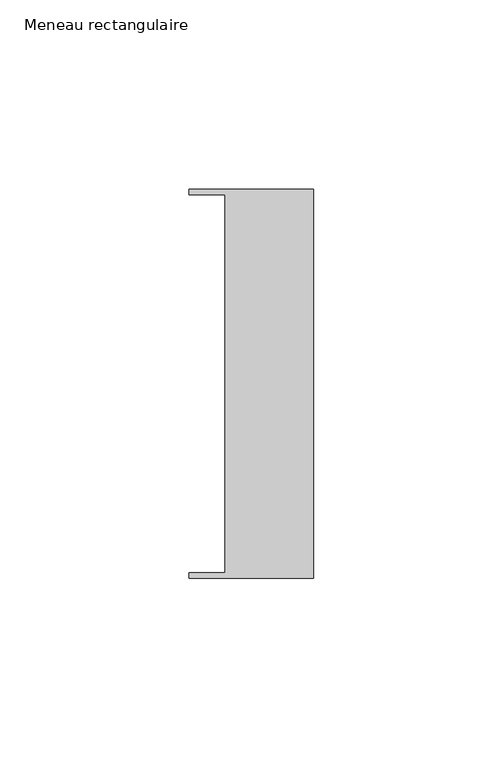
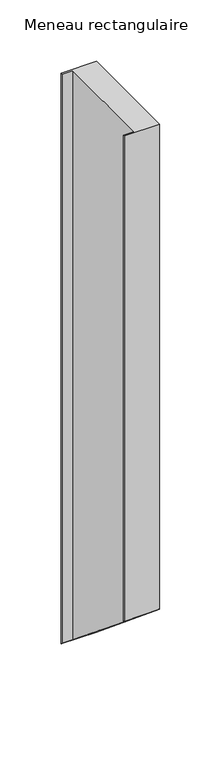
"""IFC4 building model written with IfcOpenShell, lengths in millimetres: member geometry, Meneau rectangulaire."""

import ifcopenshell
import ifcopenshell.guid

model = None  # the IFC model being written
_history = None  # IfcOwnerHistory: only IFC2X3 demands one
_inside = {}  # id of a spatial element -> (the spatial element, [elements in it])
_under = {}  # id of a project, library or spatial element -> (it, [spatial elements below it])
_declared = {}  # id of a project -> (the project, [libraries it declares])
_typed = {}  # id of a type object -> (the type object, [elements of that type])
_made_of = {}  # id of a material, layer set ... -> (it, [elements and type objects made of it])


def new_model(schema):
    """Start an empty IFC model of exactly this schema.

    Asked for "IFC4X3", IfcOpenShell would pick the latest addendum, in which some entities
    have other attributes; the version numbers below select the first issue.
    IFC2X3 requires an IfcOwnerHistory on every rooted entity: one is made here for all.
    """
    global model, _history
    if schema == "IFC4X3":
        model = ifcopenshell.file(schema_version=(4, 3, 0, 0))
    else:
        model = ifcopenshell.file(schema=schema)
    _inside.clear()
    _under.clear()
    _declared.clear()
    _typed.clear()
    _made_of.clear()
    _history = None
    if model.schema == "IFC2X3":
        org = make("IfcOrganization", Name="unknown")
        user = make(
            "IfcPersonAndOrganization",
            ThePerson=make("IfcPerson", FamilyName="unknown"),
            TheOrganization=org,
        )
        app = make(
            "IfcApplication",
            ApplicationDeveloper=org,
            Version="unknown",
            ApplicationFullName="unknown",
            ApplicationIdentifier="unknown",
        )
        _history = make(
            "IfcOwnerHistory",
            OwningUser=user,
            OwningApplication=app,
            ChangeAction="ADDED",
            CreationDate=0,
        )
    return model


def make(cls, **values):
    """One entity of the class cls with the attributes given. An attribute that is None is left unset."""
    return model.create_entity(
        cls, **{name: value for name, value in values.items() if value is not None}
    )


def rooted(cls, **values):
    """An entity with a GlobalId (a new one), such as an element, a storey or a relation."""
    return make(cls, GlobalId=ifcopenshell.guid.new(), OwnerHistory=_history, **values)


def si_unit(unit_type, name, prefix=None):
    """IfcSIUnit, for example si_unit("LENGTHUNIT", "METRE", prefix="MILLI")."""
    return make("IfcSIUnit", UnitType=unit_type, Prefix=prefix, Name=name)


def assignment(units):
    """IfcUnitAssignment: the units of a project."""
    return None if units is None else make("IfcUnitAssignment", Units=units)


def point(xyz):
    """IfcCartesianPoint."""
    return None if xyz is None else make("IfcCartesianPoint", Coordinates=xyz)


def direction(xyz):
    """IfcDirection."""
    return None if xyz is None else make("IfcDirection", DirectionRatios=xyz)


def frame(location, z_axis=None, x_axis=None):
    """IfcAxis2Placement3D, a coordinate frame: its origin and axes. An axis left out is left unset."""
    return make(
        "IfcAxis2Placement3D",
        Location=point(location),
        Axis=direction(z_axis),
        RefDirection=direction(x_axis),
    )


def origin():
    """The frame at (0, 0, 0) with its axes left unset."""
    return frame((0.0, 0.0, 0.0))


def place(relative_to, where):
    """IfcLocalPlacement: puts the frame where relative to a parent placement (None: the world)."""
    return make(
        "IfcLocalPlacement", PlacementRelTo=relative_to, RelativePlacement=where
    )


def context(
    kind, dimensions, precision=None, world=None, true_north=None, identifier=None
):
    """IfcGeometricRepresentationContext, for example the 3D "Model" context."""
    return make(
        "IfcGeometricRepresentationContext",
        ContextIdentifier=identifier,
        ContextType=kind,
        CoordinateSpaceDimension=dimensions,
        Precision=precision,
        WorldCoordinateSystem=world,
        TrueNorth=true_north,
    )


def project(units=None, contexts=None):
    """IfcProject with its units and contexts."""
    return rooted(
        "IfcProject",
        Name="project",
        RepresentationContexts=contexts,
        UnitsInContext=assignment(units),
    )


def spatial(cls, under=None, at=None, **own):
    """A site, building, storey or space (cls), placed at a placement, below another one or the project."""
    s = rooted(cls, ObjectPlacement=at, **own)
    if under is not None:
        _under.setdefault(under.id(), (under, []))[1].append(s)
    return s


def faces_of(points, faces, orient=None, outer=None):
    """IfcFace entities. A face is a list of loops; a loop is a list of indices into points, from 0.

    orient and outer hold one flag for each loop. By default every Orientation is true, the
    first loop of a face is its IfcFaceOuterBound and the others are IfcFaceBound.
    """
    made = []
    for i, loops in enumerate(faces):
        bounds = []
        for j, loop in enumerate(loops):
            is_outer = j == 0 if outer is None else outer[i][j]
            bounds.append(
                make(
                    "IfcFaceOuterBound" if is_outer else "IfcFaceBound",
                    Bound=make("IfcPolyLoop", Polygon=[points[k] for k in loop]),
                    Orientation=True if orient is None else orient[i][j],
                )
            )
        made.append(make("IfcFace", Bounds=bounds))
    return made


def faceted_brep(points, faces, orient=None, outer=None, voids=None):
    """IfcFacetedBrep: a solid bounded by flat faces; with voids (closed shells), ...WithVoids."""
    shared = [point(p) for p in points]
    hull = make("IfcClosedShell", CfsFaces=faces_of(shared, faces, orient, outer))
    if voids is None:
        return make("IfcFacetedBrep", Outer=hull)
    return make(
        "IfcFacetedBrepWithVoids",
        Outer=hull,
        Voids=[
            make(cls, CfsFaces=faces_of(shared, fs, o, b)) for cls, fs, o, b in voids
        ],
    )


def shape(context_of_items, identifier, shape_type, items):
    """IfcShapeRepresentation: the items that make up one representation, for example the "Body"."""
    return make(
        "IfcShapeRepresentation",
        ContextOfItems=context_of_items,
        RepresentationIdentifier=identifier,
        RepresentationType=shape_type,
        Items=items,
    )


def source(mapping_origin, context_of_items, identifier, shape_type, items):
    """IfcRepresentationMap: a shape defined once, which mapped items show again and again."""
    return make(
        "IfcRepresentationMap",
        MappingOrigin=mapping_origin,
        MappedRepresentation=shape(context_of_items, identifier, shape_type, items),
    )


def transform(
    local_origin,
    x_axis=None,
    y_axis=None,
    z_axis=None,
    scale=None,
    scale2=None,
    scale3=None,
    uniform=True,
):
    """IfcCartesianTransformationOperator3D, or its non-uniform kind. x_axis, y_axis, z_axis: its Axis1, 2, 3."""
    if uniform:
        return make(
            "IfcCartesianTransformationOperator3D",
            Axis1=direction(x_axis),
            Axis2=direction(y_axis),
            LocalOrigin=point(local_origin),
            Scale=scale,
            Axis3=direction(z_axis),
        )
    return make(
        "IfcCartesianTransformationOperator3DnonUniform",
        Axis1=direction(x_axis),
        Axis2=direction(y_axis),
        LocalOrigin=point(local_origin),
        Scale=scale,
        Axis3=direction(z_axis),
        Scale2=scale2,
        Scale3=scale3,
    )


def mapped(mapping_source, mapping_target):
    """IfcMappedItem: shows the shape of a source again, moved by a transform."""
    return make(
        "IfcMappedItem", MappingSource=mapping_source, MappingTarget=mapping_target
    )


def made_of(thing, what):
    """Note that an element or type object is made of a material, layer set ...; save() writes the relation."""
    if what is not None:
        _made_of.setdefault(what.id(), (what, []))[1].append(thing)
    return thing


def element(
    cls,
    number,
    at=None,
    inside=None,
    cuts=None,
    type_object=None,
    material=None,
    context=None,
    identifier="Body",
    shape_type=None,
    held_by="IfcProductDefinitionShape",
    body=None,
    shapes=None,
    **own,
):
    """One element of the class cls, such as IfcWall. Its Tag is "e" and its number.

    at: its placement. inside: the storey or other place that contains it. cuts: it is an
    opening in that element (IfcRelVoidsElement). A single representation is given by context,
    identifier, shape_type and body (its items); several are given by shapes. held_by: the class
    of the entity that holds the representations. save() writes the other relations.
    """
    e = rooted(cls, Tag="e%d" % number, ObjectPlacement=at, **own)
    if body is not None:
        shapes = [shape(context, identifier, shape_type, body)]
    if shapes is not None:
        e.Representation = make(held_by, Representations=shapes)
    if inside is not None:
        _inside.setdefault(inside.id(), (inside, []))[1].append(e)
    if cuts is not None:
        rooted(
            "IfcRelVoidsElement", RelatingBuildingElement=cuts, RelatedOpeningElement=e
        )
    if type_object is not None:
        _typed.setdefault(type_object.id(), (type_object, []))[1].append(e)
    return made_of(e, material)


def aggregate(whole, parts):
    """IfcRelAggregates: a whole, such as a stair, and the parts it consists of."""
    return rooted("IfcRelAggregates", RelatingObject=whole, RelatedObjects=parts)


def save(model, path):
    """Write the relations noted so far, then the file.

    IfcRelAggregates (storeys below a building ...), IfcRelContainedInSpatialStructure (elements
    in a storey), IfcRelDefinesByType, IfcRelAssociatesMaterial and IfcRelDeclares: one each for
    every whole, place, type object, material and project.
    """
    for whole, parts in _under.values():
        aggregate(whole, parts)
    for where, things in _inside.values():
        rooted(
            "IfcRelContainedInSpatialStructure",
            RelatedElements=things,
            RelatingStructure=where,
        )
    for kind, things in _typed.values():
        rooted("IfcRelDefinesByType", RelatedObjects=things, RelatingType=kind)
    for what, things in _made_of.values():
        rooted("IfcRelAssociatesMaterial", RelatedObjects=things, RelatingMaterial=what)
    for by, libraries in _declared.values():
        rooted("IfcRelDeclares", RelatingContext=by, RelatedDefinitions=libraries)
    model.write(path)


def meneau_rectangulaire_3c514e5c(model_context):
    return source(origin(), model_context, "Body", "Brep", [
        faceted_brep([(-33.0, 51.4622428, 0.0), (-33.0, 49.9614402, 0.0), (-23.4, 49.9614402, 0.0), (-23.4, -49.9505712, 0.0), (-33.0, -49.9505712, 0.0), (-33.0, -51.4712299, 0.0), (0.0, -51.4712299, 0.0), (0.0, 51.4622428, 0.0), (-33.0, 51.4622428, -566.5768336), (-33.0, 49.9614402, -565.3396675), (-23.4, 49.9614402, -565.3396675), (-23.4, -49.9505712, -482.9785611), (-33.0, -49.9505712, -482.9785611), (-33.0, -51.4712299, -481.7250268), (0.0, -51.4712299, -481.7250268), (0.0, 51.4622428, -566.5768336)], [[[0, 1, 2, 3, 4, 5, 6, 7]], [[1, 0, 8, 9]], [[2, 1, 9, 10]], [[3, 2, 10, 11]], [[4, 3, 11, 12]], [[5, 4, 12, 13]], [[6, 5, 13, 14]], [[7, 6, 14, 15]], [[0, 7, 15, 8]], [[8, 15, 14, 13, 12, 11, 10, 9]]]),
    ])


if __name__ == "__main__":
    model = new_model("IFC4")
    model_context = context("Model", 3, world=origin())
    ifc_project = project(units=[si_unit("LENGTHUNIT", "METRE", prefix="MILLI")], contexts=[model_context])
    site = spatial("IfcSite", under=ifc_project)
    building = spatial("IfcBuilding", under=site)
    placement = place(None, origin())
    meneau_rectangulaire_shape = meneau_rectangulaire_3c514e5c(model_context)
    element("IfcMember", 1, ObjectType="Meneau rectangulaire", at=placement, inside=building, context=model_context, shape_type="MappedRepresentation", body=[
        mapped(meneau_rectangulaire_shape, transform((0.0, 0.0, 0.0), x_axis=(1.0, 0.0, 0.0), y_axis=(0.0, 1.0, 0.0), z_axis=(0.0, 0.0, 1.0))),
    ])
    save(model, "model.ifc")
